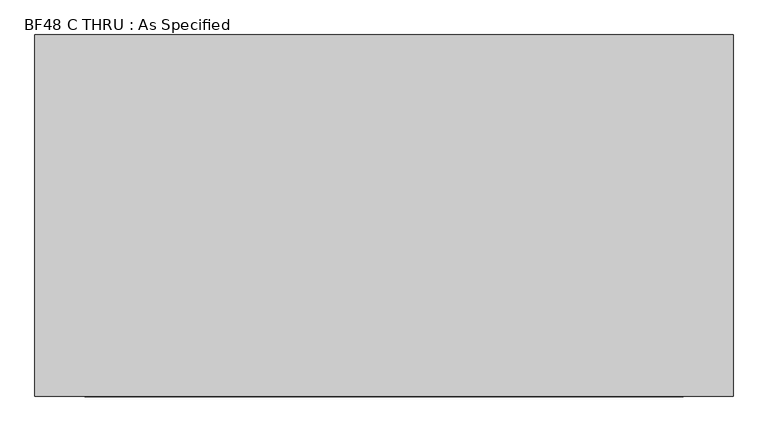
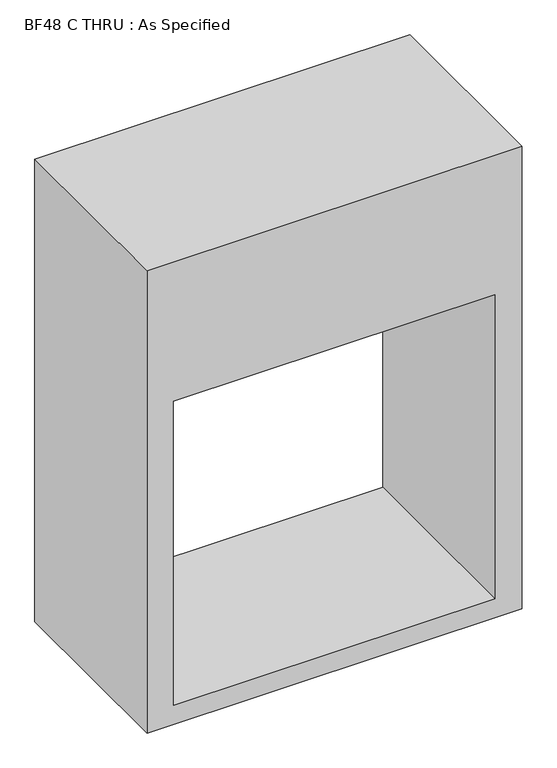
"""IFC4 building model written with IfcOpenShell, lengths in millimetres: proxy geometry, BF48 C THRU : As Specified."""

from ifc_helpers import new_model, si_unit, frame, origin, place, context, project, spatial, polyline, outline, extrude, source, transform, mapped, element, save


def bf48_c_thru_as_specified_5af583da(model_context):
    return source(origin(), model_context, "Body", "SweptSolid", [
        extrude(outline(polyline([(1854.2, 711.2), (1854.2, -711.2), (0.0, -711.2), (0.0, 711.2), (1854.2, 711.2)]), holes=[polyline([(1295.4, -609.6), (1295.4, 609.6), (76.2, 609.6), (76.2, -609.6), (1295.4, -609.6)])]), frame((0.0, -368.3, 0.0), z_axis=(0.0, 1.0, 0.0), x_axis=(0.0, 0.0, 1.0)), (0.0, 0.0, 1.0), 736.6),
    ])


if __name__ == "__main__":
    model = new_model("IFC4")
    model_context = context("Model", 3, world=origin())
    ifc_project = project(units=[si_unit("LENGTHUNIT", "METRE", prefix="MILLI")], contexts=[model_context])
    site = spatial("IfcSite", under=ifc_project)
    building = spatial("IfcBuilding", under=site)
    placement = place(None, origin())
    bf48_c_thru_as_specified_shape = bf48_c_thru_as_specified_5af583da(model_context)
    element("IfcBuildingElementProxy", 1, Name="BF48 C THRU : As Specified", ObjectType="BF48 C THRU : As Specified", at=placement, inside=building, context=model_context, shape_type="MappedRepresentation", body=[
        mapped(bf48_c_thru_as_specified_shape, transform((0.0, 0.0, 0.0), x_axis=(1.0, 0.0, 0.0), y_axis=(0.0, 1.0, 0.0), z_axis=(0.0, 0.0, 1.0))),
    ])
    save(model, "model.ifc")
